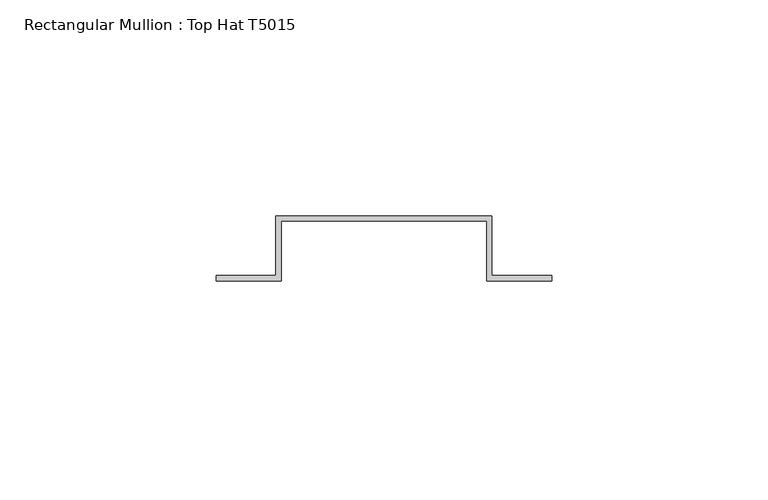
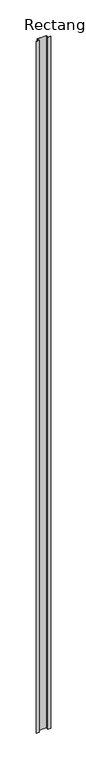
"""IFC4 building model written with IfcOpenShell, lengths in millimetres: member geometry, Rectangular Mullion : Top Hat T5015."""

import ifcopenshell
import ifcopenshell.guid

model = None  # the IFC model being written
_history = None  # IfcOwnerHistory: only IFC2X3 demands one
_inside = {}  # id of a spatial element -> (the spatial element, [elements in it])
_under = {}  # id of a project, library or spatial element -> (it, [spatial elements below it])
_declared = {}  # id of a project -> (the project, [libraries it declares])
_typed = {}  # id of a type object -> (the type object, [elements of that type])
_made_of = {}  # id of a material, layer set ... -> (it, [elements and type objects made of it])


def new_model(schema):
    """Start an empty IFC model of exactly this schema.

    Asked for "IFC4X3", IfcOpenShell would pick the latest addendum, in which some entities
    have other attributes; the version numbers below select the first issue.
    IFC2X3 requires an IfcOwnerHistory on every rooted entity: one is made here for all.
    """
    global model, _history
    if schema == "IFC4X3":
        model = ifcopenshell.file(schema_version=(4, 3, 0, 0))
    else:
        model = ifcopenshell.file(schema=schema)
    _inside.clear()
    _under.clear()
    _declared.clear()
    _typed.clear()
    _made_of.clear()
    _history = None
    if model.schema == "IFC2X3":
        org = make("IfcOrganization", Name="unknown")
        user = make(
            "IfcPersonAndOrganization",
            ThePerson=make("IfcPerson", FamilyName="unknown"),
            TheOrganization=org,
        )
        app = make(
            "IfcApplication",
            ApplicationDeveloper=org,
            Version="unknown",
            ApplicationFullName="unknown",
            ApplicationIdentifier="unknown",
        )
        _history = make(
            "IfcOwnerHistory",
            OwningUser=user,
            OwningApplication=app,
            ChangeAction="ADDED",
            CreationDate=0,
        )
    return model


def make(cls, **values):
    """One entity of the class cls with the attributes given. An attribute that is None is left unset."""
    return model.create_entity(
        cls, **{name: value for name, value in values.items() if value is not None}
    )


def rooted(cls, **values):
    """An entity with a GlobalId (a new one), such as an element, a storey or a relation."""
    return make(cls, GlobalId=ifcopenshell.guid.new(), OwnerHistory=_history, **values)


def si_unit(unit_type, name, prefix=None):
    """IfcSIUnit, for example si_unit("LENGTHUNIT", "METRE", prefix="MILLI")."""
    return make("IfcSIUnit", UnitType=unit_type, Prefix=prefix, Name=name)


def assignment(units):
    """IfcUnitAssignment: the units of a project."""
    return None if units is None else make("IfcUnitAssignment", Units=units)


def point(xyz):
    """IfcCartesianPoint."""
    return None if xyz is None else make("IfcCartesianPoint", Coordinates=xyz)


def direction(xyz):
    """IfcDirection."""
    return None if xyz is None else make("IfcDirection", DirectionRatios=xyz)


def frame(location, z_axis=None, x_axis=None):
    """IfcAxis2Placement3D, a coordinate frame: its origin and axes. An axis left out is left unset."""
    return make(
        "IfcAxis2Placement3D",
        Location=point(location),
        Axis=direction(z_axis),
        RefDirection=direction(x_axis),
    )


def origin():
    """The frame at (0, 0, 0) with its axes left unset."""
    return frame((0.0, 0.0, 0.0))


def place(relative_to, where):
    """IfcLocalPlacement: puts the frame where relative to a parent placement (None: the world)."""
    return make(
        "IfcLocalPlacement", PlacementRelTo=relative_to, RelativePlacement=where
    )


def context(
    kind, dimensions, precision=None, world=None, true_north=None, identifier=None
):
    """IfcGeometricRepresentationContext, for example the 3D "Model" context."""
    return make(
        "IfcGeometricRepresentationContext",
        ContextIdentifier=identifier,
        ContextType=kind,
        CoordinateSpaceDimension=dimensions,
        Precision=precision,
        WorldCoordinateSystem=world,
        TrueNorth=true_north,
    )


def project(units=None, contexts=None):
    """IfcProject with its units and contexts."""
    return rooted(
        "IfcProject",
        Name="project",
        RepresentationContexts=contexts,
        UnitsInContext=assignment(units),
    )


def spatial(cls, under=None, at=None, **own):
    """A site, building, storey or space (cls), placed at a placement, below another one or the project."""
    s = rooted(cls, ObjectPlacement=at, **own)
    if under is not None:
        _under.setdefault(under.id(), (under, []))[1].append(s)
    return s


def polyline(points):
    """IfcPolyline through the points."""
    return make("IfcPolyline", Points=[point(p) for p in points])


def outline(outer, holes=None, kind="AREA"):
    """IfcArbitraryClosedProfileDef: a profile drawn as a closed curve; with holes, ...WithVoids."""
    if holes is None:
        return make("IfcArbitraryClosedProfileDef", ProfileType=kind, OuterCurve=outer)
    return make(
        "IfcArbitraryProfileDefWithVoids",
        ProfileType=kind,
        OuterCurve=outer,
        InnerCurves=holes,
    )


def extrude(swept, where, along, depth):
    """IfcExtrudedAreaSolid: the profile swept, set in the frame where, extruded along a direction by depth."""
    return make(
        "IfcExtrudedAreaSolid",
        SweptArea=swept,
        Position=where,
        ExtrudedDirection=direction(along),
        Depth=depth,
    )


def shape(context_of_items, identifier, shape_type, items):
    """IfcShapeRepresentation: the items that make up one representation, for example the "Body"."""
    return make(
        "IfcShapeRepresentation",
        ContextOfItems=context_of_items,
        RepresentationIdentifier=identifier,
        RepresentationType=shape_type,
        Items=items,
    )


def source(mapping_origin, context_of_items, identifier, shape_type, items):
    """IfcRepresentationMap: a shape defined once, which mapped items show again and again."""
    return make(
        "IfcRepresentationMap",
        MappingOrigin=mapping_origin,
        MappedRepresentation=shape(context_of_items, identifier, shape_type, items),
    )


def transform(
    local_origin,
    x_axis=None,
    y_axis=None,
    z_axis=None,
    scale=None,
    scale2=None,
    scale3=None,
    uniform=True,
):
    """IfcCartesianTransformationOperator3D, or its non-uniform kind. x_axis, y_axis, z_axis: its Axis1, 2, 3."""
    if uniform:
        return make(
            "IfcCartesianTransformationOperator3D",
            Axis1=direction(x_axis),
            Axis2=direction(y_axis),
            LocalOrigin=point(local_origin),
            Scale=scale,
            Axis3=direction(z_axis),
        )
    return make(
        "IfcCartesianTransformationOperator3DnonUniform",
        Axis1=direction(x_axis),
        Axis2=direction(y_axis),
        LocalOrigin=point(local_origin),
        Scale=scale,
        Axis3=direction(z_axis),
        Scale2=scale2,
        Scale3=scale3,
    )


def mapped(mapping_source, mapping_target):
    """IfcMappedItem: shows the shape of a source again, moved by a transform."""
    return make(
        "IfcMappedItem", MappingSource=mapping_source, MappingTarget=mapping_target
    )


def made_of(thing, what):
    """Note that an element or type object is made of a material, layer set ...; save() writes the relation."""
    if what is not None:
        _made_of.setdefault(what.id(), (what, []))[1].append(thing)
    return thing


def element(
    cls,
    number,
    at=None,
    inside=None,
    cuts=None,
    type_object=None,
    material=None,
    context=None,
    identifier="Body",
    shape_type=None,
    held_by="IfcProductDefinitionShape",
    body=None,
    shapes=None,
    **own,
):
    """One element of the class cls, such as IfcWall. Its Tag is "e" and its number.

    at: its placement. inside: the storey or other place that contains it. cuts: it is an
    opening in that element (IfcRelVoidsElement). A single representation is given by context,
    identifier, shape_type and body (its items); several are given by shapes. held_by: the class
    of the entity that holds the representations. save() writes the other relations.
    """
    e = rooted(cls, Tag="e%d" % number, ObjectPlacement=at, **own)
    if body is not None:
        shapes = [shape(context, identifier, shape_type, body)]
    if shapes is not None:
        e.Representation = make(held_by, Representations=shapes)
    if inside is not None:
        _inside.setdefault(inside.id(), (inside, []))[1].append(e)
    if cuts is not None:
        rooted(
            "IfcRelVoidsElement", RelatingBuildingElement=cuts, RelatedOpeningElement=e
        )
    if type_object is not None:
        _typed.setdefault(type_object.id(), (type_object, []))[1].append(e)
    return made_of(e, material)


def aggregate(whole, parts):
    """IfcRelAggregates: a whole, such as a stair, and the parts it consists of."""
    return rooted("IfcRelAggregates", RelatingObject=whole, RelatedObjects=parts)


def save(model, path):
    """Write the relations noted so far, then the file.

    IfcRelAggregates (storeys below a building ...), IfcRelContainedInSpatialStructure (elements
    in a storey), IfcRelDefinesByType, IfcRelAssociatesMaterial and IfcRelDeclares: one each for
    every whole, place, type object, material and project.
    """
    for whole, parts in _under.values():
        aggregate(whole, parts)
    for where, things in _inside.values():
        rooted(
            "IfcRelContainedInSpatialStructure",
            RelatedElements=things,
            RelatingStructure=where,
        )
    for kind, things in _typed.values():
        rooted("IfcRelDefinesByType", RelatedObjects=things, RelatingType=kind)
    for what, things in _made_of.values():
        rooted("IfcRelAssociatesMaterial", RelatedObjects=things, RelatingMaterial=what)
    for by, libraries in _declared.values():
        rooted("IfcRelDeclares", RelatingContext=by, RelatedDefinitions=libraries)
    model.write(path)


def rectangular_mullion_top_hat_t5015_3d91d953(model_context):
    return source(origin(), model_context, "Body", "SweptSolid", [
        extrude(outline(polyline([(-23.8, -15.0), (-38.8, -15.0), (-38.8, -13.8), (-25.0, -13.8), (-25.0, 0.0), (25.0, 0.0), (25.0, -13.8), (38.85, -13.8), (38.85, -15.0), (23.85, -15.0), (23.85, -1.15), (-23.8, -1.15), (-23.8, -15.0)])), frame((0.0, 0.0, -4000.0), z_axis=(0.0, 0.0, 1.0), x_axis=(1.0, 0.0, 0.0)), (0.0, 0.0, 1.0), 4000.0),
    ])


if __name__ == "__main__":
    model = new_model("IFC4")
    model_context = context("Model", 3, world=origin())
    ifc_project = project(units=[si_unit("LENGTHUNIT", "METRE", prefix="MILLI")], contexts=[model_context])
    site = spatial("IfcSite", under=ifc_project)
    building = spatial("IfcBuilding", under=site)
    placement = place(None, origin())
    rectangular_mullion_top_hat_t5015_shape = rectangular_mullion_top_hat_t5015_3d91d953(model_context)
    element("IfcMember", 1, ObjectType="Rectangular Mullion : Top Hat T5015", at=placement, inside=building, context=model_context, shape_type="MappedRepresentation", body=[
        mapped(rectangular_mullion_top_hat_t5015_shape, transform((0.0, 0.0, 0.0), x_axis=(1.0, 0.0, 0.0), y_axis=(0.0, 1.0, 0.0), z_axis=(0.0, 0.0, 1.0))),
    ])
    save(model, "model.ifc")
